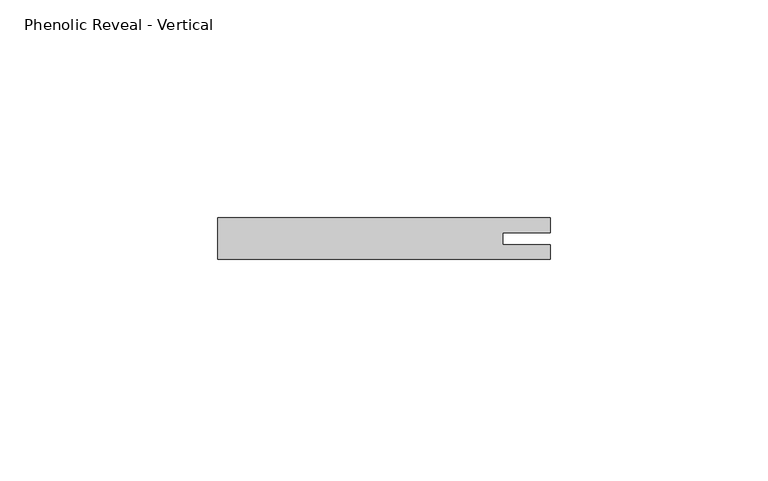
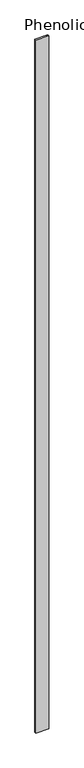
"""IFC4 building model written with IfcOpenShell, lengths in millimetres: proxy geometry, Phenolic Reveal - Vertical."""

from ifc_helpers import new_model, si_unit, origin, origin_with_axes, place, context, project, spatial, polyline, outline, extrude, source, transform, mapped, element, save


def phenolic_reveal_vertical_66ba329f(model_context):
    return source(origin(), model_context, "Body", "SweptSolid", [
        extrude(outline(polyline([(76.2, 9.525), (76.2, 6.0765851), (65.3591015, 6.0765851), (65.3591015, 3.3757545), (76.2, 3.3757545), (76.2, 0.0), (0.0, 0.0), (0.0, 9.525), (76.2, 9.525)])), origin_with_axes(), (0.0, 0.0, 1.0), 4314.825),
    ])


if __name__ == "__main__":
    model = new_model("IFC4")
    model_context = context("Model", 3, world=origin())
    ifc_project = project(units=[si_unit("LENGTHUNIT", "METRE", prefix="MILLI")], contexts=[model_context])
    site = spatial("IfcSite", under=ifc_project)
    building = spatial("IfcBuilding", under=site)
    placement = place(None, origin())
    phenolic_reveal_vertical_shape = phenolic_reveal_vertical_66ba329f(model_context)
    element("IfcBuildingElementProxy", 1, Name="Phenolic Reveal - Vertical", ObjectType="Phenolic Reveal - Vertical", at=placement, inside=building, context=model_context, shape_type="MappedRepresentation", body=[
        mapped(phenolic_reveal_vertical_shape, transform((0.0, 0.0, 0.0), x_axis=(1.0, 0.0, 0.0), y_axis=(0.0, 1.0, 0.0), z_axis=(0.0, 0.0, 1.0))),
    ])
    save(model, "model.ifc")
